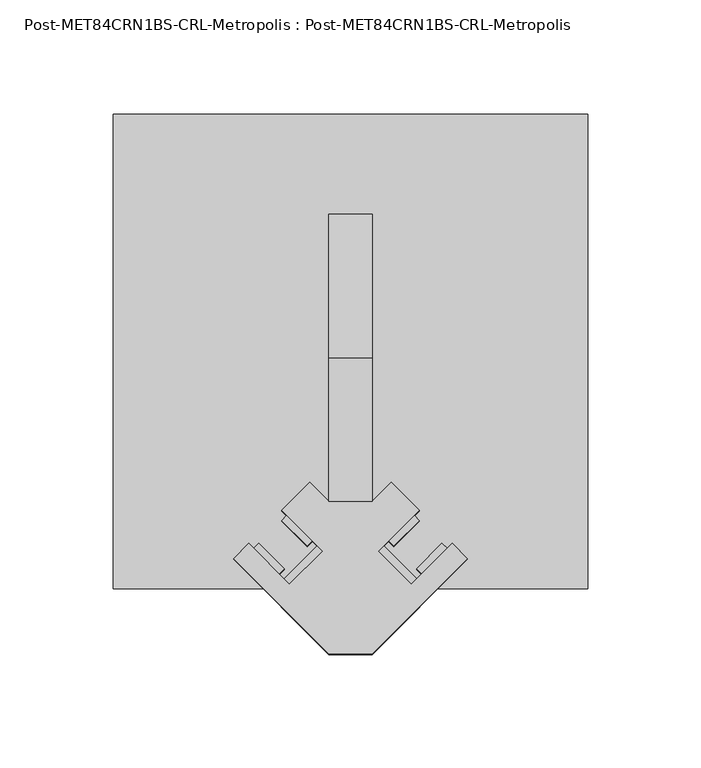
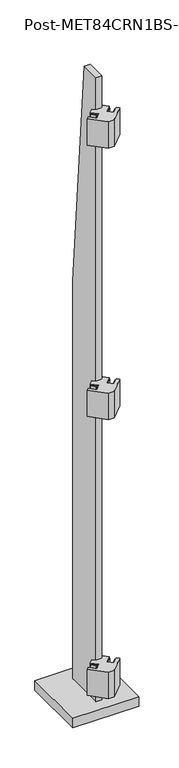
"""IFC4 building model written with IfcOpenShell, lengths in millimetres: proxy geometry, Post-MET84CRN1BS-CRL-Metropolis : Post-MET84CRN1BS-CRL-Metropolis."""

from ifc_helpers import new_model, si_unit, frame, origin, origin_with_axes, place, context, project, spatial, polyline, outline, extrude, source, transform, mapped, element, save


def post_met84crn1bs_crl_metropolis_post_met84crn1bs_crl_757b0e68(model_context):
    return source(origin(), model_context, "Body", "SweptSolid", [
        extrude(outline(polyline([(12.3478522, -98.0728522), (14.5929162, -95.8277881), (29.1858324, -110.4207043), (26.9407684, -112.6657684), (12.3478522, -98.0728522)])), frame((0.0, 0.0, 1939.925), z_axis=(0.0, 0.0, 1.0), x_axis=(1.0, 0.0, 0.0)), (0.0, 0.0, 1.0), 82.55),
        extrude(outline(polyline([(19.0830443, -95.8277881), (16.8379802, -93.5827241), (28.0633004, -82.357404), (30.3083644, -84.602468), (19.0830443, -95.8277881)])), frame((0.0, 0.0, 1939.925), z_axis=(0.0, 0.0, 1.0), x_axis=(1.0, 0.0, 0.0)), (0.0, 0.0, 1.0), 82.55),
        extrude(outline(polyline([(31.4308964, -108.1756403), (29.1858324, -105.9305763), (40.4111525, -94.7052561), (42.6562166, -96.9503202), (31.4308964, -108.1756403)])), frame((0.0, 0.0, 1939.925), z_axis=(0.0, 0.0, 1.0), x_axis=(1.0, 0.0, 0.0)), (0.0, 0.0, 1.0), 82.55),
        extrude(outline(polyline([(-26.9407684, -112.6657684), (-29.1858324, -110.4207043), (-14.5929162, -95.8277881), (-12.3478522, -98.0728522), (-26.9407684, -112.6657684)])), frame((0.0, 0.0, 1939.925), z_axis=(0.0, 0.0, 1.0), x_axis=(1.0, 0.0, 0.0)), (0.0, 0.0, 1.0), 82.55),
        extrude(outline(polyline([(-42.6562166, -96.9503202), (-40.4111525, -94.7052561), (-29.1858324, -105.9305763), (-31.4308964, -108.1756403), (-42.6562166, -96.9503202)])), frame((0.0, 0.0, 1939.925), z_axis=(0.0, 0.0, 1.0), x_axis=(1.0, 0.0, 0.0)), (0.0, 0.0, 1.0), 82.55),
        extrude(outline(polyline([(-19.0830443, -95.8277881), (-30.3083644, -84.602468), (-28.0633004, -82.357404), (-16.8379802, -93.5827241), (-19.0830443, -95.8277881)])), frame((0.0, 0.0, 1939.925), z_axis=(0.0, 0.0, 1.0), x_axis=(1.0, 0.0, 0.0)), (0.0, 0.0, 1.0), 82.55),
        extrude(outline(polyline([(-51.6364727, -101.4404482), (-44.9012806, -94.7052561), (-26.9407684, -112.6657684), (-12.3478522, -98.0728522), (-30.3083644, -80.1123399), (-17.9605122, -67.7644878), (-9.525, -76.2), (9.525, -76.2), (17.9605122, -67.7644878), (30.3083644, -80.1123399), (12.3478522, -98.0728522), (26.9407684, -112.6657684), (44.9012806, -94.7052561), (51.6364727, -101.4404482), (9.525, -143.5519209), (-9.525, -143.5519209), (-51.6364727, -101.4404482)])), frame((0.0, 0.0, 1936.75), z_axis=(0.0, 0.0, 1.0), x_axis=(1.0, 0.0, 0.0)), (0.0, 0.0, 1.0), 88.9),
        extrude(outline(polyline([(12.3478522, -98.0728522), (14.5929162, -95.8277881), (29.1858324, -110.4207043), (26.9407684, -112.6657684), (12.3478522, -98.0728522)])), frame((0.0, 0.0, 1025.525), z_axis=(0.0, 0.0, 1.0), x_axis=(1.0, 0.0, 0.0)), (0.0, 0.0, 1.0), 82.55),
        extrude(outline(polyline([(19.0830443, -95.8277881), (16.8379802, -93.5827241), (28.0633004, -82.357404), (30.3083644, -84.602468), (19.0830443, -95.8277881)])), frame((0.0, 0.0, 1025.525), z_axis=(0.0, 0.0, 1.0), x_axis=(1.0, 0.0, 0.0)), (0.0, 0.0, 1.0), 82.55),
        extrude(outline(polyline([(31.4308964, -108.1756403), (29.1858324, -105.9305763), (40.4111525, -94.7052561), (42.6562166, -96.9503202), (31.4308964, -108.1756403)])), frame((0.0, 0.0, 1025.525), z_axis=(0.0, 0.0, 1.0), x_axis=(1.0, 0.0, 0.0)), (0.0, 0.0, 1.0), 82.55),
        extrude(outline(polyline([(-26.9407684, -112.6657684), (-29.1858324, -110.4207043), (-14.5929162, -95.8277881), (-12.3478522, -98.0728522), (-26.9407684, -112.6657684)])), frame((0.0, 0.0, 1025.525), z_axis=(0.0, 0.0, 1.0), x_axis=(1.0, 0.0, 0.0)), (0.0, 0.0, 1.0), 82.55),
        extrude(outline(polyline([(-42.6562166, -96.9503202), (-40.4111525, -94.7052561), (-29.1858324, -105.9305763), (-31.4308964, -108.1756403), (-42.6562166, -96.9503202)])), frame((0.0, 0.0, 1025.525), z_axis=(0.0, 0.0, 1.0), x_axis=(1.0, 0.0, 0.0)), (0.0, 0.0, 1.0), 82.55),
        extrude(outline(polyline([(-19.0830443, -95.8277881), (-30.3083644, -84.602468), (-28.0633004, -82.357404), (-16.8379802, -93.5827241), (-19.0830443, -95.8277881)])), frame((0.0, 0.0, 1025.525), z_axis=(0.0, 0.0, 1.0), x_axis=(1.0, 0.0, 0.0)), (0.0, 0.0, 1.0), 82.55),
        extrude(outline(polyline([(-51.6364727, -101.4404482), (-44.9012806, -94.7052561), (-26.9407684, -112.6657684), (-12.3478522, -98.0728522), (-30.3083644, -80.1123399), (-17.9605122, -67.7644878), (-9.525, -76.2), (9.525, -76.2), (17.9605122, -67.7644878), (30.3083644, -80.1123399), (12.3478522, -98.0728522), (26.9407684, -112.6657684), (44.9012806, -94.7052561), (51.6364727, -101.4404482), (9.525, -143.5519209), (-9.525, -143.5519209), (-51.6364727, -101.4404482)])), frame((0.0, 0.0, 1022.35), z_axis=(0.0, 0.0, 1.0), x_axis=(1.0, 0.0, 0.0)), (0.0, 0.0, 1.0), 88.9),
        extrude(outline(polyline([(12.3478522, -98.0728522), (14.5929162, -95.8277881), (29.1858324, -110.4207043), (26.9407684, -112.6657684), (12.3478522, -98.0728522)])), frame((0.0, 0.0, 85.725), z_axis=(0.0, 0.0, 1.0), x_axis=(1.0, 0.0, 0.0)), (0.0, 0.0, 1.0), 82.55),
        extrude(outline(polyline([(19.0830443, -95.8277881), (16.8379802, -93.5827241), (28.0633004, -82.357404), (30.3083644, -84.602468), (19.0830443, -95.8277881)])), frame((0.0, 0.0, 85.725), z_axis=(0.0, 0.0, 1.0), x_axis=(1.0, 0.0, 0.0)), (0.0, 0.0, 1.0), 82.55),
        extrude(outline(polyline([(31.4308964, -108.1756403), (29.1858324, -105.9305763), (40.4111525, -94.7052561), (42.6562166, -96.9503202), (31.4308964, -108.1756403)])), frame((0.0, 0.0, 85.725), z_axis=(0.0, 0.0, 1.0), x_axis=(1.0, 0.0, 0.0)), (0.0, 0.0, 1.0), 82.55),
        extrude(outline(polyline([(-26.9407684, -112.6657684), (-29.1858324, -110.4207043), (-14.5929162, -95.8277881), (-12.3478522, -98.0728522), (-26.9407684, -112.6657684)])), frame((0.0, 0.0, 85.725), z_axis=(0.0, 0.0, 1.0), x_axis=(1.0, 0.0, 0.0)), (0.0, 0.0, 1.0), 82.55),
        extrude(outline(polyline([(-42.6562166, -96.9503202), (-40.4111525, -94.7052561), (-29.1858324, -105.9305763), (-31.4308964, -108.1756403), (-42.6562166, -96.9503202)])), frame((0.0, 0.0, 85.725), z_axis=(0.0, 0.0, 1.0), x_axis=(1.0, 0.0, 0.0)), (0.0, 0.0, 1.0), 82.55),
        extrude(outline(polyline([(-19.0830443, -95.8277881), (-30.3083644, -84.602468), (-28.0633004, -82.357404), (-16.8379802, -93.5827241), (-19.0830443, -95.8277881)])), frame((0.0, 0.0, 85.725), z_axis=(0.0, 0.0, 1.0), x_axis=(1.0, 0.0, 0.0)), (0.0, 0.0, 1.0), 82.55),
        extrude(outline(polyline([(-51.6364727, -101.4404482), (-44.9012806, -94.7052561), (-26.9407684, -112.6657684), (-12.3478522, -98.0728522), (-30.3083644, -80.1123399), (-17.9605122, -67.7644878), (-9.525, -76.2), (9.525, -76.2), (17.9605122, -67.7644878), (30.3083644, -80.1123399), (12.3478522, -98.0728522), (26.9407684, -112.6657684), (44.9012806, -94.7052561), (51.6364727, -101.4404482), (9.525, -143.5519209), (-9.525, -143.5519209), (-51.6364727, -101.4404482)])), frame((0.0, 0.0, 82.55), z_axis=(0.0, 0.0, 1.0), x_axis=(1.0, 0.0, 0.0)), (0.0, 0.0, 1.0), 88.9),
        extrude(outline(polyline([(50.8, 1371.6), (50.8, 0.0), (-76.2, 0.0), (-76.2, 2133.6), (-12.7, 2133.6), (50.8, 1371.6)])), frame((-9.525, 0.0, 0.0), z_axis=(1.0, 0.0, 0.0), x_axis=(0.0, 1.0, 0.0)), (0.0, 0.0, 1.0), 19.05),
        extrude(outline(polyline([(104.775, 95.25), (104.775, -114.3), (-104.775, -114.3), (-104.775, 95.25), (104.775, 95.25)])), origin_with_axes(), (0.0, 0.0, 1.0), 31.75),
    ])


if __name__ == "__main__":
    model = new_model("IFC4")
    model_context = context("Model", 3, world=origin())
    ifc_project = project(units=[si_unit("LENGTHUNIT", "METRE", prefix="MILLI")], contexts=[model_context])
    site = spatial("IfcSite", under=ifc_project)
    building = spatial("IfcBuilding", under=site)
    placement = place(None, origin())
    post_met84crn1bs_crl_metropolis_post_met84crn1bs_crl_shape = post_met84crn1bs_crl_metropolis_post_met84crn1bs_crl_757b0e68(model_context)
    element("IfcBuildingElementProxy", 1, Name="Post-MET84CRN1BS-CRL-Metropolis : Post-MET84CRN1BS-CRL-Metropolis", ObjectType="Post-MET84CRN1BS-CRL-Metropolis : Post-MET84CRN1BS-CRL-Metropolis", at=placement, inside=building, context=model_context, shape_type="MappedRepresentation", body=[
        mapped(post_met84crn1bs_crl_metropolis_post_met84crn1bs_crl_shape, transform((0.0, 0.0, 0.0), x_axis=(1.0, 0.0, 0.0), y_axis=(0.0, 1.0, 0.0), z_axis=(0.0, 0.0, 1.0))),
    ])
    save(model, "model.ifc")
